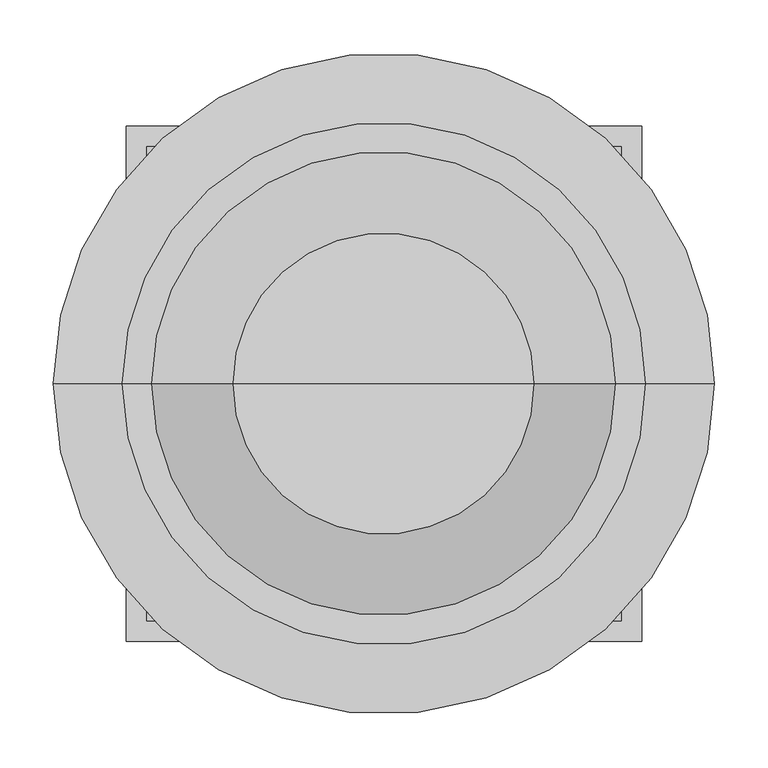
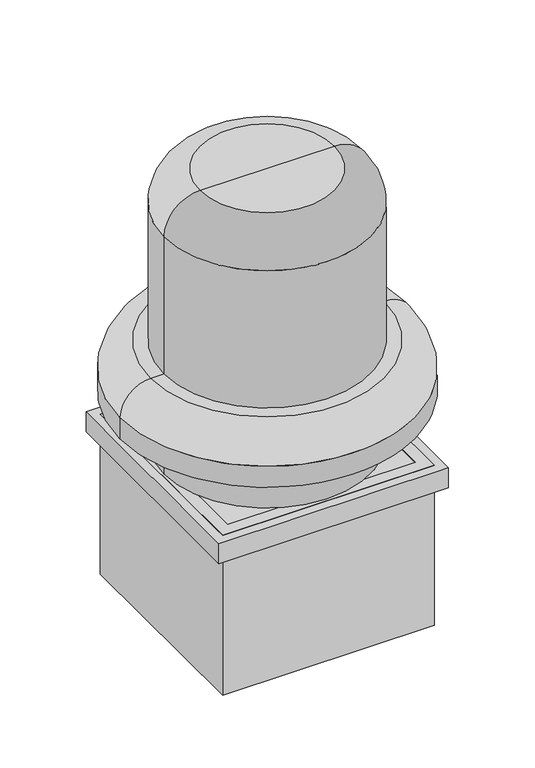
"""IFC4 building model written with IfcOpenShell, lengths in millimetres: proxy geometry."""

from ifc_helpers import new_model, si_unit, point, frame, origin, place, context, project, spatial, polyline, circle_curve, ellipse_curve, trimmed, outline, extrude, faceted_brep, source, transform, mapped, element, save
from ifc_brep_helpers import plane_surface, cylinder_surface, revolved_surface, advanced_brep


def mechanical_equipment_996d1a54(model_context):
    return source(origin(), model_context, "Body", "SolidModel", [
        extrude(outline(polyline([(-57.2124116, -222.25), (-501.7124116, -222.25), (-501.7124116, 222.25), (-57.2124116, 222.25), (-57.2124116, -222.25)]), holes=[polyline([(-476.3124116, -196.85), (-82.6124116, -196.85), (-82.6124116, 196.85), (-476.3124116, 196.85), (-476.3124116, -196.85)])]), frame((0.0, 0.0, 3.175), z_axis=(0.0, 0.0, 1.0), x_axis=(1.0, 0.0, 0.0)), (0.0, 0.0, 1.0), 355.6),
        advanced_brep(
        [(-279.4624116, 0.0, 581.025), (-34.6302241, 0.0, 581.025), (-524.2945991, 0.0, 581.025), (-589.0249116, 0.0, 469.9), (30.1000884, 0.0, 469.9), (-279.4624116, 0.0, 469.9), (-589.0249116, 0.0, 516.2947644), (30.1000884, 0.0, 516.2946875)],
        [
            (0, 1),
            (1, 2, circle_curve(frame((-279.4624116, 0.0, 581.025), z_axis=(0.0, 0.0, 1.0), x_axis=(1.0, 0.0, 0.0)), 244.8321875)),
            (2, 0),
            (2, 1, circle_curve(frame((-279.4624116, 0.0, 581.025), z_axis=(0.0, 0.0, 1.0), x_axis=(1.0, 0.0, 0.0)), 244.8321875)),
            (3, 4, circle_curve(frame((-279.4624116, 0.0, 469.9), z_axis=(0.0, 0.0, -1.0), x_axis=(1.0, 0.0, 0.0)), 309.5625)),
            (4, 5),
            (5, 3),
            (4, 3, circle_curve(frame((-279.4624116, 0.0, 469.9), z_axis=(0.0, 0.0, -1.0), x_axis=(1.0, 0.0, 0.0)), 309.5625)),
            (3, 6),
            (6, 7, circle_curve(frame((-279.4624116, 0.0, 516.2946875), z_axis=(0.0, 0.0, -1.0), x_axis=(1.0, 0.0, 0.0)), 309.5625)),
            (7, 4),
            (7, 6, circle_curve(frame((-279.4624116, 0.0, 516.2946875), z_axis=(0.0, 0.0, -1.0), x_axis=(1.0, 0.0, 0.0)), 309.5625)),
            (6, 2, circle_curve(frame((-524.2945991, 0.0, 516.2946875), z_axis=(0.0, 1.0, 0.0), x_axis=(-1.0, 0.0, 0.0)), 64.7303125)),
            (1, 7, circle_curve(frame((-34.6302241, 0.0, 516.2946875), z_axis=(0.0, 1.0, 0.0), x_axis=(1.0, 0.0, 0.0)), 64.7303125)),
        ],
        [
            plane_surface(frame((-279.4624116, 0.0, 581.025), z_axis=(0.0, 0.0, 1.0), x_axis=(1.0, 0.0, 0.0))),
            plane_surface(frame((-279.4624116, 0.0, 469.9), z_axis=(0.0, 0.0, -1.0), x_axis=(1.0, 0.0, 0.0))),
            cylinder_surface(frame((-279.4624116, 0.0, 469.8672007), z_axis=(0.0, 0.0, 1.0), x_axis=(1.0, 0.0, 0.0)), 309.5625),
            revolved_surface(trimmed(ellipse_curve(frame((-34.6302241, 0.0, 516.2946875), z_axis=(0.0, -1.0, 0.0), x_axis=(1.0, 0.0, 0.0)), 64.7303125, 64.7303125), [point((30.1000884, 0.0, 516.2946875))], [point((-34.6302241, 0.0, 581.025))], True, "CARTESIAN"), (-279.4624116, 0.0, 560.7138531), (0.0, 0.0, 1.0)),
        ],
        [
            (0, [[1, 2, 3]]),
            (0, [[-1, -3, 4]]),
            (1, [[5, 6, 7]]),
            (1, [[-6, 8, -7]]),
            (2, [[-5, 9, 10, 11]]),
            (2, [[-8, -11, 12, -9]]),
            (3, [[13, -2, 14, -10]]),
            (3, [[-13, -12, -14, -4]]),
        ],
    ),
        faceted_brep([(-38.1624116, -241.3, 358.775), (-520.7624116, -241.3, 358.775), (-520.7624116, -241.3, 314.325), (-38.1624116, -241.3, 314.325), (-38.1624116, 241.3, 358.775), (-38.1624116, 241.3, 314.325), (-520.7624116, 241.3, 314.325), (-520.7624116, 241.3, 358.775), (-39.7499116, -239.7125, 314.325), (-39.7499116, 239.7125, 314.325), (-519.1749116, 239.7125, 314.325), (-519.1749116, -239.7125, 314.325), (-39.7499116, 239.7125, 357.1875), (-39.7499116, -239.7125, 357.1875), (-519.1749116, -239.7125, 357.1875), (-519.1749116, 239.7125, 357.1875)], [[[0, 1, 2, 3]], [[4, 5, 6, 7]], [[1, 0, 4, 7]], [[2, 1, 7, 6]], [[3, 2, 6, 5], [8, 9, 10, 11]], [[0, 3, 5, 4]], [[12, 13, 14, 15]], [[13, 12, 9, 8]], [[14, 13, 8, 11]], [[15, 14, 11, 10]], [[12, 15, 10, 9]]]),
        advanced_brep(
        [(-496.9499116, 0.0, 885.825), (-62.7686616, 0.0, 885.825), (-62.7686616, 0.0, 358.775), (-496.9499116, 0.0, 358.775), (-279.8592866, 0.0, 962.025), (-138.9686616, 0.0, 962.025), (-420.7499116, 0.0, 962.025), (-279.8592866, 0.0, 358.775)],
        [
            (0, 1, circle_curve(frame((-279.8592866, 0.0, 885.825), z_axis=(0.0, 0.0, -1.0), x_axis=(1.0, 0.0, 0.0)), 217.090625)),
            (1, 2),
            (2, 3, circle_curve(frame((-279.8592866, 0.0, 358.775), z_axis=(0.0, 0.0, 1.0), x_axis=(1.0, 0.0, 0.0)), 217.090625)),
            (3, 0),
            (1, 0, circle_curve(frame((-279.8592866, 0.0, 885.825), z_axis=(0.0, 0.0, -1.0), x_axis=(1.0, 0.0, 0.0)), 217.090625)),
            (3, 2, circle_curve(frame((-279.8592866, 0.0, 358.775), z_axis=(0.0, 0.0, 1.0), x_axis=(1.0, 0.0, 0.0)), 217.090625)),
            (4, 5),
            (5, 6, circle_curve(frame((-279.8592866, 0.0, 962.025), z_axis=(0.0, 0.0, 1.0), x_axis=(1.0, 0.0, 0.0)), 140.890625)),
            (6, 4),
            (6, 5, circle_curve(frame((-279.8592866, 0.0, 962.025), z_axis=(0.0, 0.0, 1.0), x_axis=(1.0, 0.0, 0.0)), 140.890625)),
            (2, 7),
            (7, 3),
            (5, 1, circle_curve(frame((-138.9686616, 0.0, 885.825), z_axis=(0.0, 1.0, 0.0), x_axis=(1.0, 0.0, 0.0)), 76.2)),
            (0, 6, circle_curve(frame((-420.7499116, 0.0, 885.825), z_axis=(0.0, 1.0, 0.0), x_axis=(-1.0, 0.0, 0.0)), 76.2)),
        ],
        [
            cylinder_surface(frame((-279.8592866, 0.0, 407.0638052), z_axis=(0.0, 0.0, 1.0), x_axis=(1.0, 0.0, 0.0)), 217.090625),
            plane_surface(frame((-279.8592866, 0.0, 962.025), z_axis=(0.0, 0.0, 1.0), x_axis=(1.0, 0.0, 0.0))),
            plane_surface(frame((-279.8592866, 0.0, 358.775), z_axis=(0.0, 0.0, -1.0), x_axis=(1.0, 0.0, 0.0))),
            revolved_surface(trimmed(ellipse_curve(frame((-138.9686616, 0.0, 885.825), z_axis=(0.0, -1.0, 0.0), x_axis=(1.0, 0.0, 0.0)), 76.2, 76.2), [point((-62.7686616, 0.0, 885.825))], [point((-138.9686616, 0.0, 962.025))], True, "CARTESIAN"), (-279.8592866, 0.0, 407.0638052), (0.0, 0.0, 1.0)),
        ],
        [
            (0, [[1, 2, 3, 4]]),
            (0, [[5, -4, 6, -2]]),
            (1, [[7, 8, 9]]),
            (1, [[-9, 10, -7]]),
            (2, [[-3, 11, 12]]),
            (2, [[-6, -12, -11]]),
            (3, [[-8, 13, -1, 14]]),
            (3, [[-10, -14, -5, -13]]),
        ],
    ),
    ])


if __name__ == "__main__":
    model = new_model("IFC4")
    model_context = context("Model", 3, world=origin())
    ifc_project = project(units=[si_unit("LENGTHUNIT", "METRE", prefix="MILLI")], contexts=[model_context])
    site = spatial("IfcSite", under=ifc_project)
    building = spatial("IfcBuilding", under=site)
    placement = place(None, origin())
    mechanical_equipment_shape = mechanical_equipment_996d1a54(model_context)
    element("IfcBuildingElementProxy", 1, Name="Mechanical Equipment", at=placement, inside=building, context=model_context, shape_type="MappedRepresentation", body=[
        mapped(mechanical_equipment_shape, transform((0.0, 0.0, 0.0), x_axis=(1.0, 0.0, 0.0), y_axis=(0.0, 1.0, 0.0), z_axis=(0.0, 0.0, 1.0))),
    ])
    save(model, "model.ifc")
